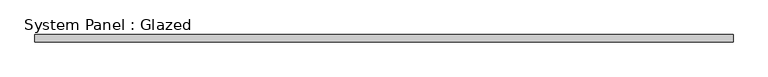
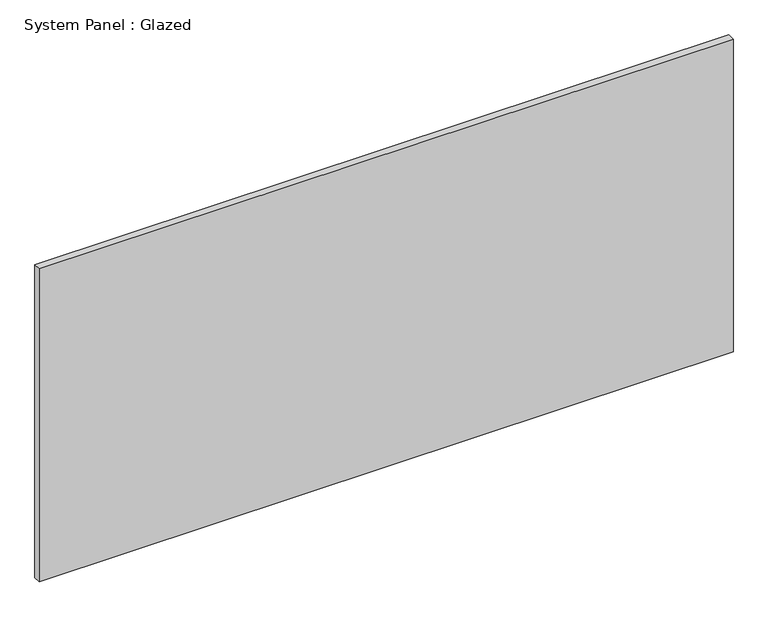
"""IFC4 building model written with IfcOpenShell, lengths in millimetres: plate geometry, System Panel : Glazed."""

from ifc_helpers import new_model, si_unit, origin, origin_with_axes, place, context, project, spatial, polyline, outline, extrude, source, transform, mapped, element, save


def system_panel_glazed_590c4a49(model_context):
    return source(origin(), model_context, "Body", "SweptSolid", [
        extrude(outline(polyline([(1212.5266214, 19.05), (-1212.5266214, 19.05), (-1212.5266214, 44.45), (1212.5266214, 44.45), (1212.5266214, 19.05)])), origin_with_axes(), (0.0, 0.0, 1.0), 1155.7),
    ])


if __name__ == "__main__":
    model = new_model("IFC4")
    model_context = context("Model", 3, world=origin())
    ifc_project = project(units=[si_unit("LENGTHUNIT", "METRE", prefix="MILLI")], contexts=[model_context])
    site = spatial("IfcSite", under=ifc_project)
    building = spatial("IfcBuilding", under=site)
    placement = place(None, origin())
    system_panel_glazed_shape = system_panel_glazed_590c4a49(model_context)
    element("IfcPlate", 1, ObjectType="System Panel : Glazed", at=placement, inside=building, context=model_context, shape_type="MappedRepresentation", body=[
        mapped(system_panel_glazed_shape, transform((0.0, 0.0, 0.0), x_axis=(1.0, 0.0, 0.0), y_axis=(0.0, 1.0, 0.0), z_axis=(0.0, 0.0, 1.0))),
    ])
    save(model, "model.ifc")
